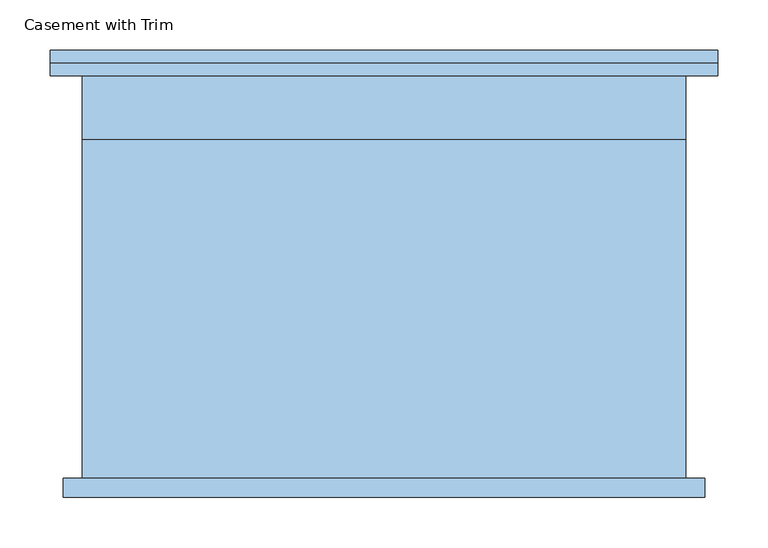
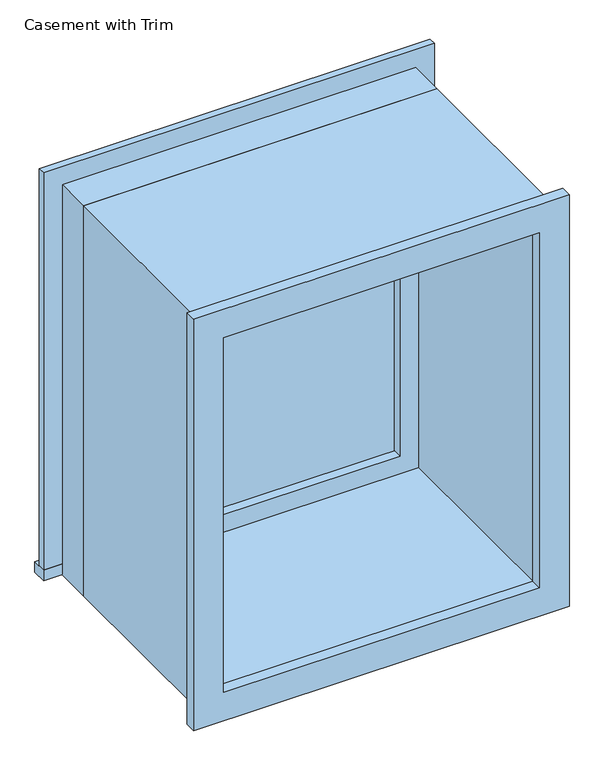
"""IFC4 building model written with IfcOpenShell, lengths in millimetres: window geometry, Casement with Trim."""

from ifc_helpers import new_model, si_unit, frame, origin, place, context, project, spatial, polyline, outline, extrude, source, transform, mapped, element, save


def casement_with_trim_04b9f405(model_context):
    return source(origin(), model_context, "Body", "SweptSolid", [
        extrude(outline(polyline([(-331.75, 225.4), (331.75, 225.4), (331.75, 200.0), (-331.75, 200.0), (-331.75, 225.4)])), frame((0.0, 0.0, 914.4), z_axis=(0.0, 0.0, 1.0), x_axis=(1.0, 0.0, 0.0)), (0.0, 0.0, 1.0), 19.05),
        extrude(outline(polyline([(1595.35, -280.95), (1595.35, 280.95), (933.45, 280.95), (933.45, 331.75), (1646.15, 331.75), (1646.15, -331.75), (933.45, -331.75), (933.45, -280.95), (1595.35, -280.95)])), frame((0.0, 200.0, 0.0), z_axis=(0.0, 1.0, 0.0), x_axis=(0.0, 0.0, 1.0)), (0.0, 0.0, 1.0), 12.7),
        extrude(outline(polyline([(1633.45, 319.05), (1633.45, -319.05), (895.35, -319.05), (895.35, 319.05), (1633.45, 319.05)]), holes=[polyline([(1582.65, 268.25), (946.15, 268.25), (946.15, -268.25), (1582.65, -268.25), (1582.65, 268.25)])]), frame((0.0, -219.05, 0.0), z_axis=(0.0, 1.0, 0.0), x_axis=(0.0, 0.0, 1.0)), (0.0, 0.0, 1.0), 19.05),
        extrude(outline(polyline([(236.5, 152.375), (-236.5, 152.375), (-236.5, 165.075), (236.5, 165.075), (236.5, 152.375)])), frame((0.0, 0.0, 977.9), z_axis=(0.0, 0.0, 1.0), x_axis=(1.0, 0.0, 0.0)), (0.0, 0.0, 1.0), 573.0),
        extrude(outline(polyline([(1595.35, -280.95), (933.45, -280.95), (933.45, 280.95), (1595.35, 280.95), (1595.35, -280.95)]), holes=[polyline([(1550.9, -236.5), (1550.9, 236.5), (977.9, 236.5), (977.9, -236.5), (1550.9, -236.5)])]), frame((0.0, 136.5, 0.0), z_axis=(0.0, 1.0, 0.0), x_axis=(0.0, 0.0, 1.0)), (0.0, 0.0, 1.0), 44.45),
        extrude(outline(polyline([(1614.4, -300.0), (914.4, -300.0), (914.4, 300.0), (1614.4, 300.0), (1614.4, -300.0)]), holes=[polyline([(1582.65, -268.25), (1582.65, 268.25), (946.15, 268.25), (946.15, -268.25), (1582.65, -268.25)])]), frame((0.0, -200.0, 0.0), z_axis=(0.0, 1.0, 0.0), x_axis=(0.0, 0.0, 1.0)), (0.0, 0.0, 1.0), 336.5),
        extrude(outline(polyline([(1614.4, 300.0), (1614.4, -300.0), (914.4, -300.0), (914.4, 300.0), (1614.4, 300.0)]), holes=[polyline([(1595.35, 280.95), (933.45, 280.95), (933.45, -280.95), (1595.35, -280.95), (1595.35, 280.95)])]), frame((0.0, 136.5, 0.0), z_axis=(0.0, 1.0, 0.0), x_axis=(0.0, 0.0, 1.0)), (0.0, 0.0, 1.0), 63.5),
    ])


if __name__ == "__main__":
    model = new_model("IFC4")
    model_context = context("Model", 3, world=origin())
    ifc_project = project(units=[si_unit("LENGTHUNIT", "METRE", prefix="MILLI")], contexts=[model_context])
    site = spatial("IfcSite", under=ifc_project)
    building = spatial("IfcBuilding", under=site)
    placement = place(None, origin())
    casement_with_trim_shape = casement_with_trim_04b9f405(model_context)
    element("IfcWindow", 1, ObjectType="Casement with Trim", at=placement, inside=building, context=model_context, shape_type="MappedRepresentation", body=[
        mapped(casement_with_trim_shape, transform((0.0, 0.0, 0.0), x_axis=(1.0, 0.0, 0.0), y_axis=(0.0, 1.0, 0.0), z_axis=(0.0, 0.0, 1.0))),
    ])
    save(model, "model.ifc")
